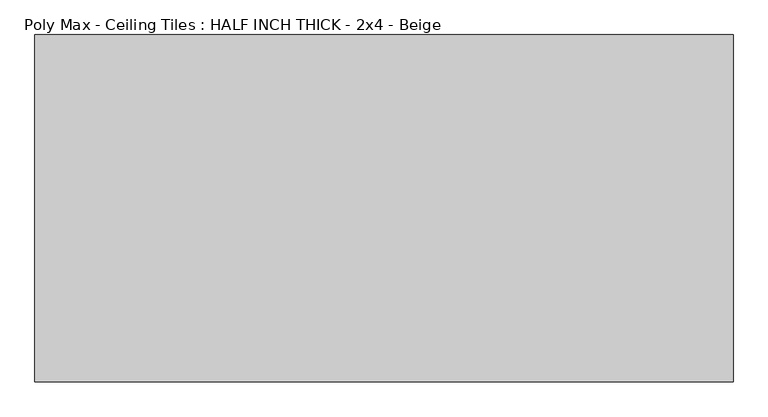
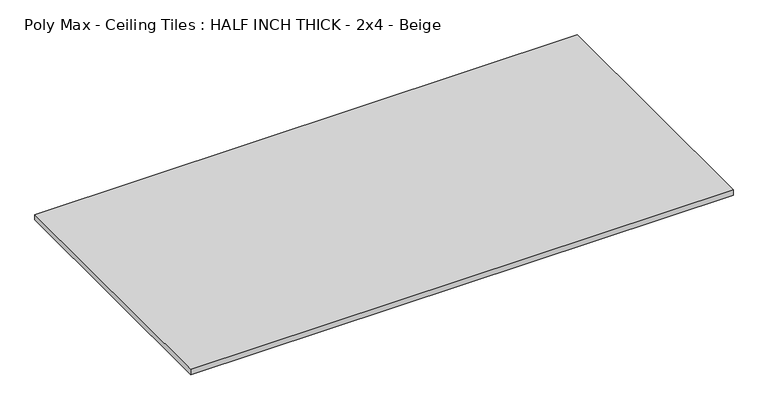
"""IFC4 building model written with IfcOpenShell, lengths in millimetres: proxy geometry, Poly Max - Ceiling Tiles : HALF INCH THICK - 2x4 - Beige."""

from ifc_helpers import new_model, si_unit, origin, origin_with_axes, place, context, project, spatial, polyline, outline, extrude, source, transform, mapped, element, save


def poly_max_ceiling_tiles_half_inch_thick_2x4_beige_4650cd14(model_context):
    return source(origin(), model_context, "Body", "SweptSolid", [
        extrude(outline(polyline([(-606.425, 301.625), (606.425, 301.625), (606.425, -301.625), (-606.425, -301.625), (-606.425, 301.625)])), origin_with_axes(), (0.0, 0.0, 1.0), 12.7),
    ])


if __name__ == "__main__":
    model = new_model("IFC4")
    model_context = context("Model", 3, world=origin())
    ifc_project = project(units=[si_unit("LENGTHUNIT", "METRE", prefix="MILLI")], contexts=[model_context])
    site = spatial("IfcSite", under=ifc_project)
    building = spatial("IfcBuilding", under=site)
    placement = place(None, origin())
    poly_max_ceiling_tiles_half_inch_thick_2x4_beige_shape = poly_max_ceiling_tiles_half_inch_thick_2x4_beige_4650cd14(model_context)
    element("IfcBuildingElementProxy", 1, Name="Poly Max - Ceiling Tiles : HALF INCH THICK - 2x4 - Beige", ObjectType="Poly Max - Ceiling Tiles : HALF INCH THICK - 2x4 - Beige", at=placement, inside=building, context=model_context, shape_type="MappedRepresentation", body=[
        mapped(poly_max_ceiling_tiles_half_inch_thick_2x4_beige_shape, transform((0.0, 0.0, 0.0), x_axis=(1.0, 0.0, 0.0), y_axis=(0.0, 1.0, 0.0), z_axis=(0.0, 0.0, 1.0))),
    ])
    save(model, "model.ifc")
